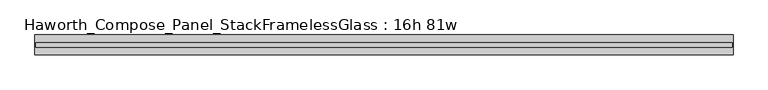
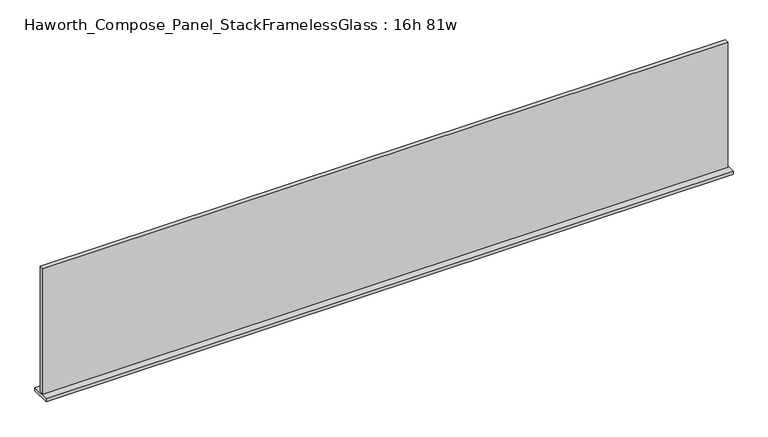
"""IFC4 building model written with IfcOpenShell, lengths in millimetres: furniture geometry, Haworth_Compose_Panel_StackFramelessGlass : 16h 81w."""

from ifc_helpers import new_model, si_unit, frame, origin, place, context, project, spatial, polyline, outline, extrude, source, transform, mapped, element, save


def haworth_compose_panel_stackframelessglass_16h_81w_d001fdac(model_context):
    return source(origin(), model_context, "Body", "SweptSolid", [
        extrude(outline(polyline([(1027.9652902, -27.3093594), (-1023.0847098, -27.3093594), (-1023.0847098, -14.6093594), (1027.9652902, -14.6093594), (1027.9652902, -27.3093594)])), frame((0.0, 0.0, 1279.525), z_axis=(0.0, 0.0, 1.0), x_axis=(1.0, 0.0, 0.0)), (0.0, 0.0, 1.0), 396.875),
        extrude(outline(polyline([(-1026.2597098, -50.3281094), (-1026.2597098, 8.4093906), (1031.1402902, 8.4093906), (1031.1402902, -50.3281094), (-1026.2597098, -50.3281094)])), frame((0.0, 0.0, 1270.0), z_axis=(0.0, 0.0, 1.0), x_axis=(1.0, 0.0, 0.0)), (0.0, 0.0, 1.0), 9.525),
    ])


if __name__ == "__main__":
    model = new_model("IFC4")
    model_context = context("Model", 3, world=origin())
    ifc_project = project(units=[si_unit("LENGTHUNIT", "METRE", prefix="MILLI")], contexts=[model_context])
    site = spatial("IfcSite", under=ifc_project)
    building = spatial("IfcBuilding", under=site)
    placement = place(None, origin())
    haworth_compose_panel_stackframelessglass_16h_81w_shape = haworth_compose_panel_stackframelessglass_16h_81w_d001fdac(model_context)
    element("IfcFurniture", 1, ObjectType="Haworth_Compose_Panel_StackFramelessGlass : 16h 81w", at=placement, inside=building, context=model_context, shape_type="MappedRepresentation", body=[
        mapped(haworth_compose_panel_stackframelessglass_16h_81w_shape, transform((0.0, 0.0, 0.0), x_axis=(1.0, 0.0, 0.0), y_axis=(0.0, 1.0, 0.0), z_axis=(0.0, 0.0, 1.0))),
    ])
    save(model, "model.ifc")
